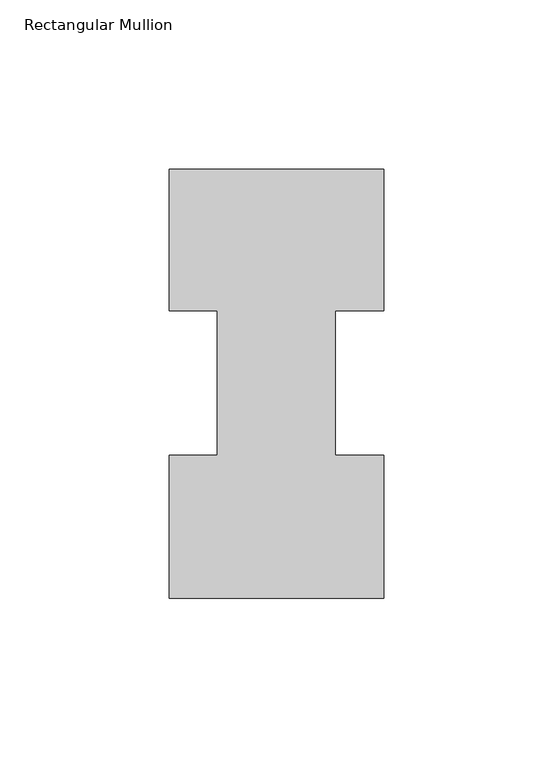
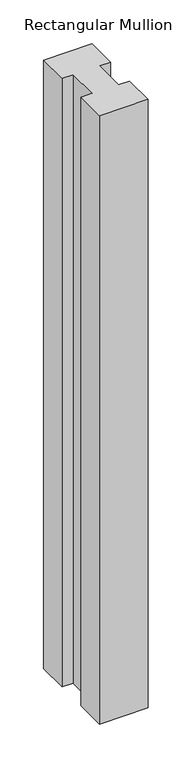
"""IFC4 building model written with IfcOpenShell, lengths in millimetres: member geometry, Rectangular Mullion."""

from ifc_helpers import new_model, si_unit, frame, origin, place, context, project, spatial, polyline, outline, extrude, source, transform, mapped, element, save


def rectangular_mullion_2f21a780(model_context):
    return source(origin(), model_context, "Body", "SweptSolid", [
        extrude(outline(polyline([(31.7494574, 85.1296875), (17.4683074, 85.1296875), (17.4683074, 42.2798875), (31.7494574, 42.2798875), (31.7494574, -0.0111125), (-31.7494574, -0.0111125), (-31.7494574, 42.2798875), (-17.4644974, 42.2798875), (-17.4644974, 85.1296875), (-31.7494574, 85.1296875), (-31.7494574, 126.9888875), (31.7494574, 126.9888875), (31.7494574, 85.1296875)])), frame((0.0, 0.0, -844.3102709), z_axis=(0.0, 0.0, 1.0), x_axis=(1.0, 0.0, 0.0)), (0.0, 0.0, 1.0), 844.3102709),
    ])


if __name__ == "__main__":
    model = new_model("IFC4")
    model_context = context("Model", 3, world=origin())
    ifc_project = project(units=[si_unit("LENGTHUNIT", "METRE", prefix="MILLI")], contexts=[model_context])
    site = spatial("IfcSite", under=ifc_project)
    building = spatial("IfcBuilding", under=site)
    placement = place(None, origin())
    rectangular_mullion_shape = rectangular_mullion_2f21a780(model_context)
    element("IfcMember", 1, ObjectType="Rectangular Mullion", at=placement, inside=building, context=model_context, shape_type="MappedRepresentation", body=[
        mapped(rectangular_mullion_shape, transform((0.0, 0.0, 0.0), x_axis=(1.0, 0.0, 0.0), y_axis=(0.0, 1.0, 0.0), z_axis=(0.0, 0.0, 1.0))),
    ])
    save(model, "model.ifc")
